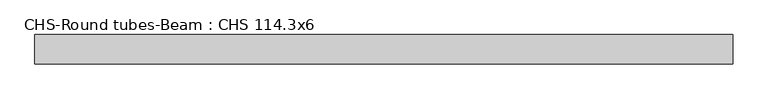
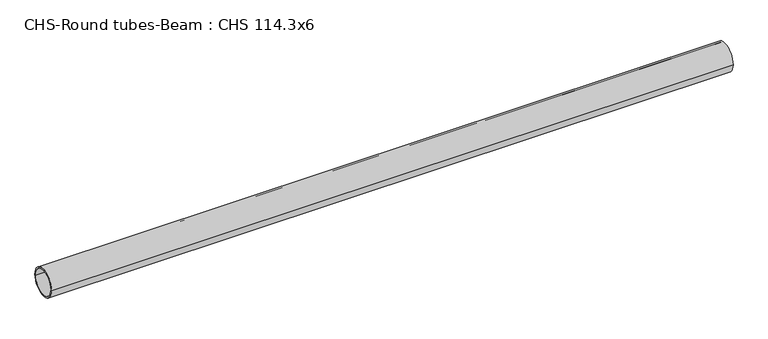
"""IFC4 building model written with IfcOpenShell, lengths in millimetres: beam geometry, CHS-Round tubes-Beam : CHS 114.3x6."""

from ifc_helpers import new_model, si_unit, point, frame, origin, origin_2d, place, context, project, spatial, circle_curve, trimmed, segment, composite_curve, outline, extrude, source, transform, mapped, element, save


def chs_round_tubes_beam_chs_114_3x6_64a70b3e(model_context):
    return source(origin(), model_context, "Body", "SweptSolid", [
        extrude(outline(composite_curve([segment(trimmed(circle_curve(origin_2d(), 57.15), [point((57.15, 0.0))], [point((-57.15, 0.0))], False, "CARTESIAN"), True, "CONTINUOUS"), segment(trimmed(circle_curve(origin_2d(), 57.15), [point((-57.15, 0.0))], [point((57.15, 0.0))], False, "CARTESIAN"), True, "CONTINUOUS")], self_intersect=False), holes=[composite_curve([segment(trimmed(circle_curve(origin_2d(), 51.15), [point((51.15, 0.0))], [point((-51.15, 0.0))], True, "CARTESIAN"), True, "CONTINUOUS"), segment(trimmed(circle_curve(origin_2d(), 51.15), [point((-51.15, 0.0))], [point((51.15, 0.0))], True, "CARTESIAN"), True, "CONTINUOUS")], self_intersect=False)]), frame((-1312.6131524, 0.0, 0.0), z_axis=(1.0, 0.0, 0.0), x_axis=(0.0, 1.0, 0.0)), (0.0, 0.0, 1.0), 2732.169317),
    ])


if __name__ == "__main__":
    model = new_model("IFC4")
    model_context = context("Model", 3, world=origin())
    ifc_project = project(units=[si_unit("LENGTHUNIT", "METRE", prefix="MILLI")], contexts=[model_context])
    site = spatial("IfcSite", under=ifc_project)
    building = spatial("IfcBuilding", under=site)
    placement = place(None, origin())
    chs_round_tubes_beam_chs_114_3x6_shape = chs_round_tubes_beam_chs_114_3x6_64a70b3e(model_context)
    element("IfcBeam", 1, ObjectType="CHS-Round tubes-Beam : CHS 114.3x6", at=placement, inside=building, context=model_context, shape_type="MappedRepresentation", body=[
        mapped(chs_round_tubes_beam_chs_114_3x6_shape, transform((0.0, 0.0, 0.0), x_axis=(1.0, 0.0, 0.0), y_axis=(0.0, 1.0, 0.0), z_axis=(0.0, 0.0, 1.0))),
    ])
    save(model, "model.ifc")
